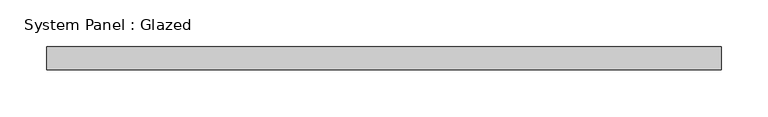
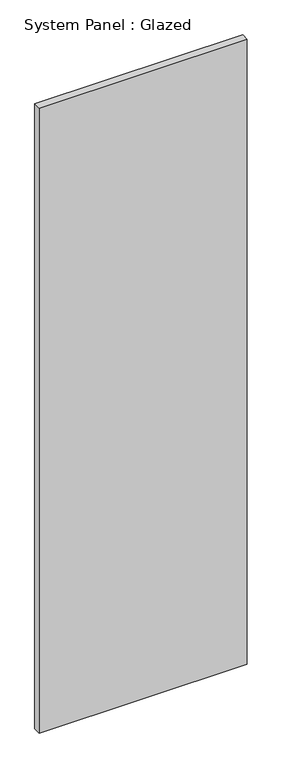
"""IFC4 building model written with IfcOpenShell, lengths in millimetres: plate geometry, System Panel : Glazed."""

from ifc_helpers import new_model, si_unit, origin, origin_with_axes, place, context, project, spatial, polyline, outline, extrude, source, transform, mapped, element, save


def system_panel_glazed_5a413ccb(model_context):
    return source(origin(), model_context, "Body", "SweptSolid", [
        extrude(outline(polyline([(362.5, -49.5), (-362.5, -49.5), (-362.5, -24.5), (362.5, -24.5), (362.5, -49.5)])), origin_with_axes(), (0.0, 0.0, 1.0), 2300.0),
    ])


if __name__ == "__main__":
    model = new_model("IFC4")
    model_context = context("Model", 3, world=origin())
    ifc_project = project(units=[si_unit("LENGTHUNIT", "METRE", prefix="MILLI")], contexts=[model_context])
    site = spatial("IfcSite", under=ifc_project)
    building = spatial("IfcBuilding", under=site)
    placement = place(None, origin())
    system_panel_glazed_shape = system_panel_glazed_5a413ccb(model_context)
    element("IfcPlate", 1, ObjectType="System Panel : Glazed", at=placement, inside=building, context=model_context, shape_type="MappedRepresentation", body=[
        mapped(system_panel_glazed_shape, transform((0.0, 0.0, 0.0), x_axis=(1.0, 0.0, 0.0), y_axis=(0.0, 1.0, 0.0), z_axis=(0.0, 0.0, 1.0))),
    ])
    save(model, "model.ifc")
